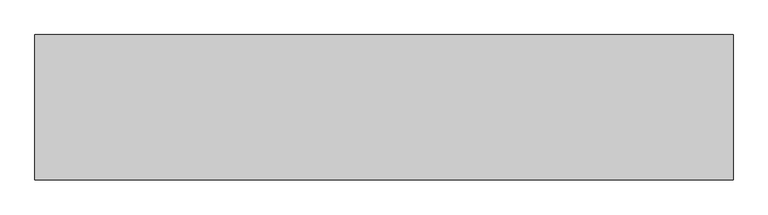
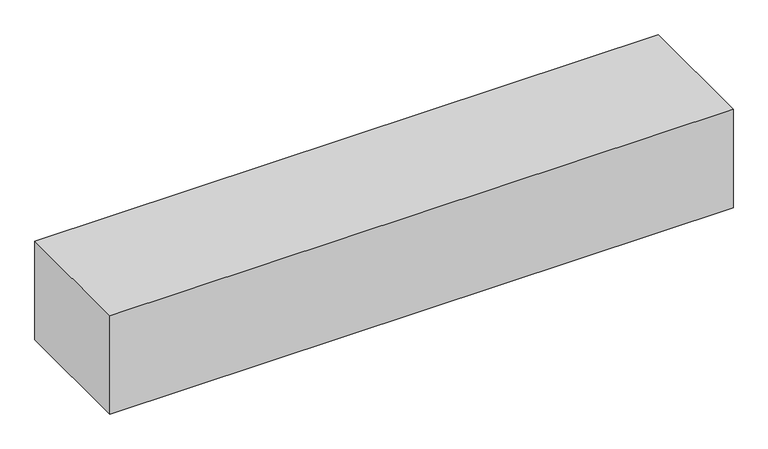
"""IFC4 building model written with IfcOpenShell, lengths in millimetres: geographic element geometry."""

from ifc_helpers import new_model, si_unit, origin, origin_with_axes, place, context, project, spatial, polyline, outline, extrude, source, transform, mapped, element, save


def geographic_element_ca9d48e7(model_context):
    return source(origin(), model_context, "Body", "SweptSolid", [
        extrude(outline(polyline([(0.0, 0.0), (0.0, 500.0), (2400.0, 500.0), (2400.0, 0.0), (0.0, 0.0)])), origin_with_axes(), (0.0, 0.0, 1.0), 400.0),
    ])


if __name__ == "__main__":
    model = new_model("IFC4")
    model_context = context("Model", 3, world=origin())
    ifc_project = project(units=[si_unit("LENGTHUNIT", "METRE", prefix="MILLI")], contexts=[model_context])
    site = spatial("IfcSite", under=ifc_project)
    building = spatial("IfcBuilding", under=site)
    placement = place(None, origin())
    geographic_element_shape = geographic_element_ca9d48e7(model_context)
    element("IfcGeographicElement", 1, at=placement, inside=building, context=model_context, shape_type="MappedRepresentation", body=[
        mapped(geographic_element_shape, transform((0.0, 0.0, 0.0), x_axis=(1.0, 0.0, 0.0), y_axis=(0.0, 1.0, 0.0), z_axis=(0.0, 0.0, 1.0))),
    ])
    save(model, "model.ifc")
